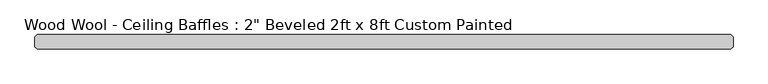
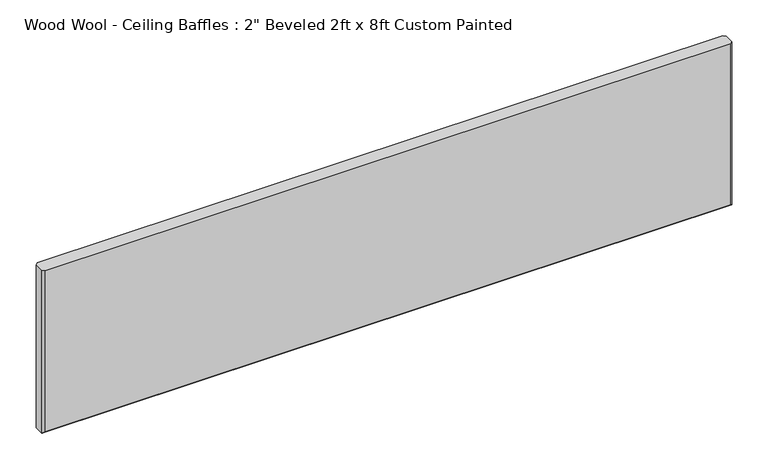
"""IFC4 building model written with IfcOpenShell, lengths in millimetres: proxy geometry."""

from ifc_helpers import new_model, si_unit, origin, place, context, project, spatial, faceted_brep, source, transform, mapped, element, save


def proxy_9e457d2f(model_context):
    return source(origin(), model_context, "Body", "Brep", [
        faceted_brep([(1211.199, -50.8, 609.6), (-1211.199, -50.8, 609.6), (-1211.199, -50.8, 8.001), (1211.199, -50.8, 8.001), (-1211.199, 0.0, 609.6), (1211.199, 0.0, 609.6), (1211.199, 0.0, 8.001), (-1211.199, 0.0, 8.001), (1219.2, -42.799, 609.6), (1219.2, -42.799, 0.0), (1219.2, -8.001, 0.0), (1219.2, -8.001, 609.6), (-1219.2, -8.001, 609.6), (-1219.2, -42.799, 609.6), (-1219.2, -42.799, 0.0), (-1219.2, -8.001, 0.0)], [[[0, 1, 2, 3]], [[4, 5, 6, 7]], [[8, 9, 10, 11]], [[1, 0, 8, 11, 5, 4, 12, 13]], [[14, 13, 12, 15]], [[9, 14, 15, 10]], [[9, 3, 2, 14]], [[3, 9, 8, 0]], [[14, 2, 1, 13]], [[10, 6, 5, 11]], [[6, 10, 15, 7]], [[7, 15, 12, 4]]]),
    ])


if __name__ == "__main__":
    model = new_model("IFC4")
    model_context = context("Model", 3, world=origin())
    ifc_project = project(units=[si_unit("LENGTHUNIT", "METRE", prefix="MILLI")], contexts=[model_context])
    site = spatial("IfcSite", under=ifc_project)
    building = spatial("IfcBuilding", under=site)
    placement = place(None, origin())
    proxy_shape = proxy_9e457d2f(model_context)
    element("IfcBuildingElementProxy", 1, Name="Wood Wool - Ceiling Baffles : 2\" Beveled 2ft x 8ft Custom Painted", ObjectType="Wood Wool - Ceiling Baffles : 2\" Beveled 2ft x 8ft Custom Painted", at=placement, inside=building, context=model_context, shape_type="MappedRepresentation", body=[
        mapped(proxy_shape, transform((0.0, 0.0, 0.0), x_axis=(1.0, 0.0, 0.0), y_axis=(0.0, 1.0, 0.0), z_axis=(0.0, 0.0, 1.0))),
    ])
    save(model, "model.ifc")
